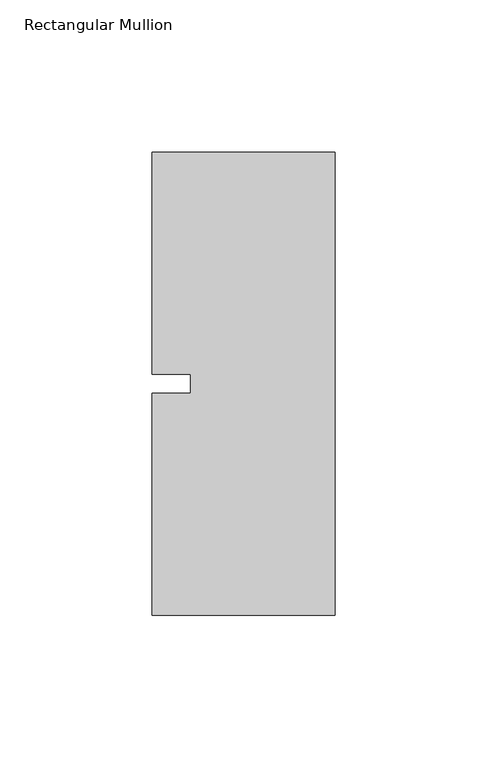
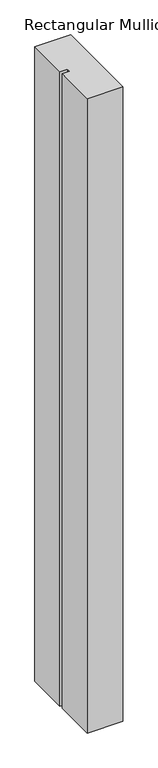
"""IFC4 building model written with IfcOpenShell, lengths in millimetres: member geometry, Rectangular Mullion."""

from ifc_helpers import new_model, si_unit, frame, origin, place, context, project, spatial, polyline, outline, extrude, source, transform, mapped, element, save


def rectangular_mullion_050dbcbe(model_context):
    return source(origin(), model_context, "Body", "SweptSolid", [
        extrude(outline(polyline([(-60.325, 76.2), (0.0, 76.2), (0.0, -76.2), (-60.325, -76.2), (-60.325, -3.175), (-47.625, -3.175), (-47.625, 3.175), (-60.325, 3.175), (-60.325, 76.2)])), frame((0.0, 0.0, -1130.3), z_axis=(0.0, 0.0, 1.0), x_axis=(1.0, 0.0, 0.0)), (0.0, 0.0, 1.0), 1130.3),
    ])


if __name__ == "__main__":
    model = new_model("IFC4")
    model_context = context("Model", 3, world=origin())
    ifc_project = project(units=[si_unit("LENGTHUNIT", "METRE", prefix="MILLI")], contexts=[model_context])
    site = spatial("IfcSite", under=ifc_project)
    building = spatial("IfcBuilding", under=site)
    placement = place(None, origin())
    rectangular_mullion_shape = rectangular_mullion_050dbcbe(model_context)
    element("IfcMember", 1, ObjectType="Rectangular Mullion", at=placement, inside=building, context=model_context, shape_type="MappedRepresentation", body=[
        mapped(rectangular_mullion_shape, transform((0.0, 0.0, 0.0), x_axis=(1.0, 0.0, 0.0), y_axis=(0.0, 1.0, 0.0), z_axis=(0.0, 0.0, 1.0))),
    ])
    save(model, "model.ifc")
